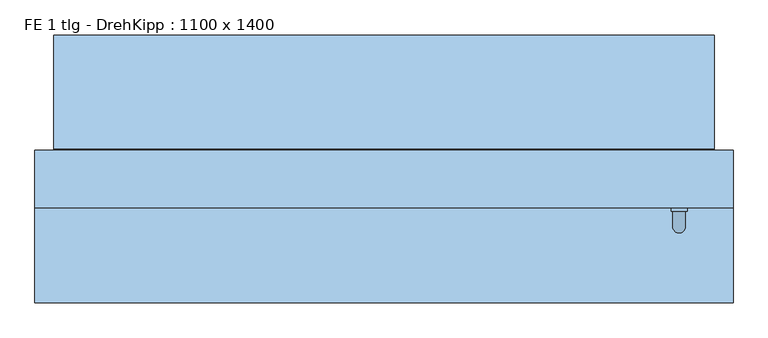
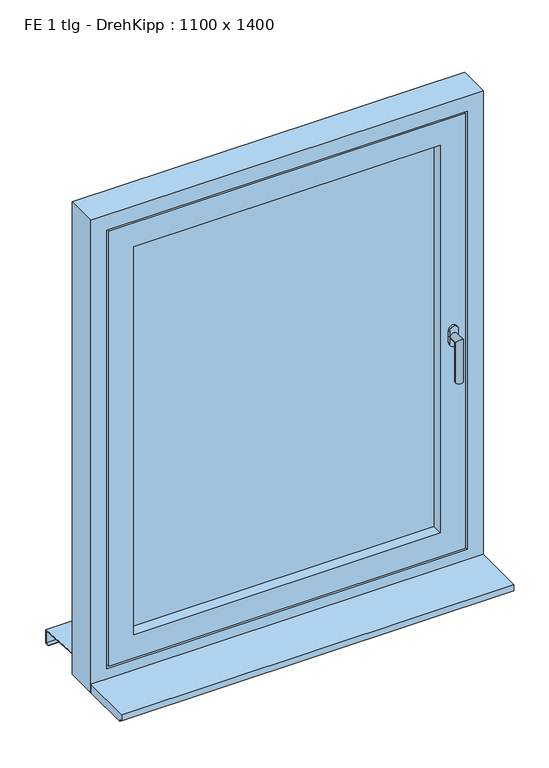
"""IFC4 building model written with IfcOpenShell, lengths in millimetres: window geometry, FE 1 tlg - DrehKipp : 1100 x 1400."""

import ifcopenshell
import ifcopenshell.guid

model = None  # the IFC model being written
_history = None  # IfcOwnerHistory: only IFC2X3 demands one
_inside = {}  # id of a spatial element -> (the spatial element, [elements in it])
_under = {}  # id of a project, library or spatial element -> (it, [spatial elements below it])
_declared = {}  # id of a project -> (the project, [libraries it declares])
_typed = {}  # id of a type object -> (the type object, [elements of that type])
_made_of = {}  # id of a material, layer set ... -> (it, [elements and type objects made of it])


def new_model(schema):
    """Start an empty IFC model of exactly this schema.

    Asked for "IFC4X3", IfcOpenShell would pick the latest addendum, in which some entities
    have other attributes; the version numbers below select the first issue.
    IFC2X3 requires an IfcOwnerHistory on every rooted entity: one is made here for all.
    """
    global model, _history
    if schema == "IFC4X3":
        model = ifcopenshell.file(schema_version=(4, 3, 0, 0))
    else:
        model = ifcopenshell.file(schema=schema)
    _inside.clear()
    _under.clear()
    _declared.clear()
    _typed.clear()
    _made_of.clear()
    _history = None
    if model.schema == "IFC2X3":
        org = make("IfcOrganization", Name="unknown")
        user = make(
            "IfcPersonAndOrganization",
            ThePerson=make("IfcPerson", FamilyName="unknown"),
            TheOrganization=org,
        )
        app = make(
            "IfcApplication",
            ApplicationDeveloper=org,
            Version="unknown",
            ApplicationFullName="unknown",
            ApplicationIdentifier="unknown",
        )
        _history = make(
            "IfcOwnerHistory",
            OwningUser=user,
            OwningApplication=app,
            ChangeAction="ADDED",
            CreationDate=0,
        )
    return model


def make(cls, **values):
    """One entity of the class cls with the attributes given. An attribute that is None is left unset."""
    return model.create_entity(
        cls, **{name: value for name, value in values.items() if value is not None}
    )


def rooted(cls, **values):
    """An entity with a GlobalId (a new one), such as an element, a storey or a relation."""
    return make(cls, GlobalId=ifcopenshell.guid.new(), OwnerHistory=_history, **values)


def si_unit(unit_type, name, prefix=None):
    """IfcSIUnit, for example si_unit("LENGTHUNIT", "METRE", prefix="MILLI")."""
    return make("IfcSIUnit", UnitType=unit_type, Prefix=prefix, Name=name)


def assignment(units):
    """IfcUnitAssignment: the units of a project."""
    return None if units is None else make("IfcUnitAssignment", Units=units)


def point(xyz):
    """IfcCartesianPoint."""
    return None if xyz is None else make("IfcCartesianPoint", Coordinates=xyz)


def direction(xyz):
    """IfcDirection."""
    return None if xyz is None else make("IfcDirection", DirectionRatios=xyz)


def frame(location, z_axis=None, x_axis=None):
    """IfcAxis2Placement3D, a coordinate frame: its origin and axes. An axis left out is left unset."""
    return make(
        "IfcAxis2Placement3D",
        Location=point(location),
        Axis=direction(z_axis),
        RefDirection=direction(x_axis),
    )


def origin():
    """The frame at (0, 0, 0) with its axes left unset."""
    return frame((0.0, 0.0, 0.0))


def place(relative_to, where):
    """IfcLocalPlacement: puts the frame where relative to a parent placement (None: the world)."""
    return make(
        "IfcLocalPlacement", PlacementRelTo=relative_to, RelativePlacement=where
    )


def context(
    kind, dimensions, precision=None, world=None, true_north=None, identifier=None
):
    """IfcGeometricRepresentationContext, for example the 3D "Model" context."""
    return make(
        "IfcGeometricRepresentationContext",
        ContextIdentifier=identifier,
        ContextType=kind,
        CoordinateSpaceDimension=dimensions,
        Precision=precision,
        WorldCoordinateSystem=world,
        TrueNorth=true_north,
    )


def project(units=None, contexts=None):
    """IfcProject with its units and contexts."""
    return rooted(
        "IfcProject",
        Name="project",
        RepresentationContexts=contexts,
        UnitsInContext=assignment(units),
    )


def spatial(cls, under=None, at=None, **own):
    """A site, building, storey or space (cls), placed at a placement, below another one or the project."""
    s = rooted(cls, ObjectPlacement=at, **own)
    if under is not None:
        _under.setdefault(under.id(), (under, []))[1].append(s)
    return s


def polyline(points):
    """IfcPolyline through the points."""
    return make("IfcPolyline", Points=[point(p) for p in points])


def circle_curve(where, radius):
    """IfcCircle in the frame where."""
    return make("IfcCircle", Position=where, Radius=radius)


def ellipse_curve(where, semi_axis1, semi_axis2):
    """IfcEllipse in the frame where."""
    return make(
        "IfcEllipse", Position=where, SemiAxis1=semi_axis1, SemiAxis2=semi_axis2
    )


def outline(outer, holes=None, kind="AREA"):
    """IfcArbitraryClosedProfileDef: a profile drawn as a closed curve; with holes, ...WithVoids."""
    if holes is None:
        return make("IfcArbitraryClosedProfileDef", ProfileType=kind, OuterCurve=outer)
    return make(
        "IfcArbitraryProfileDefWithVoids",
        ProfileType=kind,
        OuterCurve=outer,
        InnerCurves=holes,
    )


def extrude(swept, where, along, depth):
    """IfcExtrudedAreaSolid: the profile swept, set in the frame where, extruded along a direction by depth."""
    return make(
        "IfcExtrudedAreaSolid",
        SweptArea=swept,
        Position=where,
        ExtrudedDirection=direction(along),
        Depth=depth,
    )


def faces_of(points, faces, orient=None, outer=None):
    """IfcFace entities. A face is a list of loops; a loop is a list of indices into points, from 0.

    orient and outer hold one flag for each loop. By default every Orientation is true, the
    first loop of a face is its IfcFaceOuterBound and the others are IfcFaceBound.
    """
    made = []
    for i, loops in enumerate(faces):
        bounds = []
        for j, loop in enumerate(loops):
            is_outer = j == 0 if outer is None else outer[i][j]
            bounds.append(
                make(
                    "IfcFaceOuterBound" if is_outer else "IfcFaceBound",
                    Bound=make("IfcPolyLoop", Polygon=[points[k] for k in loop]),
                    Orientation=True if orient is None else orient[i][j],
                )
            )
        made.append(make("IfcFace", Bounds=bounds))
    return made


def faceted_brep(points, faces, orient=None, outer=None, voids=None):
    """IfcFacetedBrep: a solid bounded by flat faces; with voids (closed shells), ...WithVoids."""
    shared = [point(p) for p in points]
    hull = make("IfcClosedShell", CfsFaces=faces_of(shared, faces, orient, outer))
    if voids is None:
        return make("IfcFacetedBrep", Outer=hull)
    return make(
        "IfcFacetedBrepWithVoids",
        Outer=hull,
        Voids=[
            make(cls, CfsFaces=faces_of(shared, fs, o, b)) for cls, fs, o, b in voids
        ],
    )


def shape(context_of_items, identifier, shape_type, items):
    """IfcShapeRepresentation: the items that make up one representation, for example the "Body"."""
    return make(
        "IfcShapeRepresentation",
        ContextOfItems=context_of_items,
        RepresentationIdentifier=identifier,
        RepresentationType=shape_type,
        Items=items,
    )


def source(mapping_origin, context_of_items, identifier, shape_type, items):
    """IfcRepresentationMap: a shape defined once, which mapped items show again and again."""
    return make(
        "IfcRepresentationMap",
        MappingOrigin=mapping_origin,
        MappedRepresentation=shape(context_of_items, identifier, shape_type, items),
    )


def transform(
    local_origin,
    x_axis=None,
    y_axis=None,
    z_axis=None,
    scale=None,
    scale2=None,
    scale3=None,
    uniform=True,
):
    """IfcCartesianTransformationOperator3D, or its non-uniform kind. x_axis, y_axis, z_axis: its Axis1, 2, 3."""
    if uniform:
        return make(
            "IfcCartesianTransformationOperator3D",
            Axis1=direction(x_axis),
            Axis2=direction(y_axis),
            LocalOrigin=point(local_origin),
            Scale=scale,
            Axis3=direction(z_axis),
        )
    return make(
        "IfcCartesianTransformationOperator3DnonUniform",
        Axis1=direction(x_axis),
        Axis2=direction(y_axis),
        LocalOrigin=point(local_origin),
        Scale=scale,
        Axis3=direction(z_axis),
        Scale2=scale2,
        Scale3=scale3,
    )


def mapped(mapping_source, mapping_target):
    """IfcMappedItem: shows the shape of a source again, moved by a transform."""
    return make(
        "IfcMappedItem", MappingSource=mapping_source, MappingTarget=mapping_target
    )


def made_of(thing, what):
    """Note that an element or type object is made of a material, layer set ...; save() writes the relation."""
    if what is not None:
        _made_of.setdefault(what.id(), (what, []))[1].append(thing)
    return thing


def element(
    cls,
    number,
    at=None,
    inside=None,
    cuts=None,
    type_object=None,
    material=None,
    context=None,
    identifier="Body",
    shape_type=None,
    held_by="IfcProductDefinitionShape",
    body=None,
    shapes=None,
    **own,
):
    """One element of the class cls, such as IfcWall. Its Tag is "e" and its number.

    at: its placement. inside: the storey or other place that contains it. cuts: it is an
    opening in that element (IfcRelVoidsElement). A single representation is given by context,
    identifier, shape_type and body (its items); several are given by shapes. held_by: the class
    of the entity that holds the representations. save() writes the other relations.
    """
    e = rooted(cls, Tag="e%d" % number, ObjectPlacement=at, **own)
    if body is not None:
        shapes = [shape(context, identifier, shape_type, body)]
    if shapes is not None:
        e.Representation = make(held_by, Representations=shapes)
    if inside is not None:
        _inside.setdefault(inside.id(), (inside, []))[1].append(e)
    if cuts is not None:
        rooted(
            "IfcRelVoidsElement", RelatingBuildingElement=cuts, RelatedOpeningElement=e
        )
    if type_object is not None:
        _typed.setdefault(type_object.id(), (type_object, []))[1].append(e)
    return made_of(e, material)


def aggregate(whole, parts):
    """IfcRelAggregates: a whole, such as a stair, and the parts it consists of."""
    return rooted("IfcRelAggregates", RelatingObject=whole, RelatedObjects=parts)


def save(model, path):
    """Write the relations noted so far, then the file.

    IfcRelAggregates (storeys below a building ...), IfcRelContainedInSpatialStructure (elements
    in a storey), IfcRelDefinesByType, IfcRelAssociatesMaterial and IfcRelDeclares: one each for
    every whole, place, type object, material and project.
    """
    for whole, parts in _under.values():
        aggregate(whole, parts)
    for where, things in _inside.values():
        rooted(
            "IfcRelContainedInSpatialStructure",
            RelatedElements=things,
            RelatingStructure=where,
        )
    for kind, things in _typed.values():
        rooted("IfcRelDefinesByType", RelatedObjects=things, RelatingType=kind)
    for what, things in _made_of.values():
        rooted("IfcRelAssociatesMaterial", RelatedObjects=things, RelatingMaterial=what)
    for by, libraries in _declared.values():
        rooted("IfcRelDeclares", RelatingContext=by, RelatedDefinitions=libraries)
    model.write(path)


def plane_surface(at):
    """IfcPlane: the flat surface through the origin of the frame at, square to its z axis."""
    return make("IfcPlane", Position=at)


def cylinder_surface(at, radius):
    """IfcCylindricalSurface: all points at the distance radius from the z axis of the frame at."""
    return make("IfcCylindricalSurface", Position=at, Radius=radius)


def advanced_brep(points, edges, surfaces, faces):
    """IfcAdvancedBrep: a solid bounded by faces that lie on surfaces and meet in shared edges.

    An edge is (start, end): straight between two places in points (the first is 0);
    or (start, end, curve); or (start, end, curve, False) where it runs against its curve.
    A face is (place in surfaces, loops), or (place, loops, False) where it looks against
    its surface's normal. A loop lists edges by number (the first is 1), with a minus sign
    where the edge is run from its end to its start. The first loop is the outer one.
    """
    corners = [point(p) for p in points]
    vertices = [make("IfcVertexPoint", VertexGeometry=c) for c in corners]
    made = []
    for start, end, *more in edges:
        made.append(
            make(
                "IfcEdgeCurve",
                EdgeStart=vertices[start],
                EdgeEnd=vertices[end],
                EdgeGeometry=more[0] if more else make("IfcPolyline", Points=[corners[start], corners[end]]),
                SameSense=more[1] if len(more) > 1 else True,
            )
        )
    hull = []
    for where, loops, *sense in faces:
        bounds = []
        for j, loop in enumerate(loops):
            ring = [make("IfcOrientedEdge", EdgeElement=made[abs(k) - 1], Orientation=k > 0) for k in loop]
            bounds.append(
                make(
                    "IfcFaceOuterBound" if j == 0 else "IfcFaceBound",
                    Bound=make("IfcEdgeLoop", EdgeList=ring),
                    Orientation=True,
                )
            )
        hull.append(make("IfcAdvancedFace", Bounds=bounds, FaceSurface=surfaces[where], SameSense=sense[0] if sense else True))
    return make("IfcAdvancedBrep", Outer=make("IfcClosedShell", CfsFaces=hull))


def fe_1_tlg_drehkipp_1100_x_1400_05585270(model_context):
    return source(origin(), model_context, "Body", "SolidModel", [
        advanced_brep(
        [(452.5, -50.0, 1572.5), (477.5, -50.0, 1572.5), (477.5, -50.0, 1555.0), (477.5, -50.0, 1537.5), (452.5, -50.0, 1537.5), (452.5, -50.0, 1555.0), (475.0, -80.0, 1555.0), (475.0, -56.0, 1555.0), (455.0, -56.0, 1555.0), (455.0, -80.0, 1555.0), (475.0, -80.0, 1435.0), (455.0, -80.0, 1435.0), (452.5, -56.0, 1572.5), (452.5, -56.0, 1555.0), (452.5, -56.0, 1537.5), (477.5, -56.0, 1537.5), (477.5, -56.0, 1555.0), (477.5, -56.0, 1572.5)],
        [
            (0, 1, circle_curve(frame((465.0, -50.0, 1572.5), z_axis=(0.0, 1.0, 0.0), x_axis=(-1.0, 0.0, 0.0)), 12.5)),
            (1, 2),
            (2, 3),
            (3, 4, circle_curve(frame((465.0, -50.0, 1537.5), z_axis=(0.0, 1.0, 0.0), x_axis=(-1.0, 0.0, 0.0)), 12.5)),
            (4, 5),
            (5, 0),
            (6, 7),
            (7, 8, circle_curve(frame((465.0, -56.0, 1555.0), z_axis=(0.0, -1.0, 0.0), x_axis=(-1.0, 0.0, 0.0)), 10.0)),
            (8, 9),
            (9, 6, ellipse_curve(frame((465.0, -80.0, 1555.0), z_axis=(0.0, 0.7071067811865498, 0.7071067811865451), x_axis=(0.0, 0.7071067811865452, -0.7071067811865497)), 14.1421356, 10.0)),
            (8, 7, circle_curve(frame((465.0, -56.0, 1555.0), z_axis=(0.0, -1.0, 0.0), x_axis=(-1.0, 0.0, 0.0)), 10.0)),
            (6, 9, ellipse_curve(frame((465.0, -80.0, 1555.0), z_axis=(0.0, 0.7071067811865498, 0.7071067811865451), x_axis=(0.0, 0.7071067811865452, -0.7071067811865497)), 14.1421356, 10.0)),
            (10, 11, circle_curve(frame((465.0, -80.0, 1435.0), z_axis=(0.0, 0.0, -1.0), x_axis=(-1.0, 0.0, 0.0)), 10.0)),
            (11, 10, circle_curve(frame((465.0, -80.0, 1435.0), z_axis=(0.0, 0.0, -1.0), x_axis=(-1.0, 0.0, 0.0)), 10.0)),
            (9, 11),
            (10, 6),
            (12, 13),
            (13, 14),
            (14, 15, circle_curve(frame((465.0, -56.0, 1537.5), z_axis=(0.0, -1.0, 0.0), x_axis=(-1.0, 0.0, 0.0)), 12.5)),
            (15, 16),
            (16, 17),
            (17, 12, circle_curve(frame((465.0, -56.0, 1572.5), z_axis=(0.0, -1.0, 0.0), x_axis=(-1.0, 0.0, 0.0)), 12.5)),
            (17, 1),
            (0, 12),
            (16, 2),
            (15, 3),
            (14, 4),
            (13, 5),
        ],
        [
            plane_surface(frame((465.0, -50.0, 1555.0), z_axis=(0.0, 1.0, 0.0), x_axis=(-1.0, 0.0, 0.0))),
            cylinder_surface(frame((465.0, -50.0, 1555.0), z_axis=(0.0, 1.0, 0.0), x_axis=(-1.0, 0.0, 0.0)), 10.0),
            plane_surface(frame((465.0, -80.0, 1435.0), z_axis=(0.0, 0.0, -1.0), x_axis=(-1.0, 0.0, 0.0))),
            cylinder_surface(frame((465.0, -80.0, 1555.0), z_axis=(0.0, 0.0, 1.0), x_axis=(-1.0, 0.0, 0.0)), 10.0),
            plane_surface(frame((452.5, -56.0, 1572.5), z_axis=(0.0, -1.0, 0.0), x_axis=(0.0, 0.0, 1.0))),
            cylinder_surface(frame((465.0, -50.0, 1572.5), z_axis=(0.0, -1.0, 0.0), x_axis=(-1.0, 0.0, 0.0)), 12.5),
            plane_surface(frame((477.5, -56.0, 1572.5), z_axis=(1.0, 0.0, 0.0), x_axis=(0.0, 1.0, 0.0))),
            plane_surface(frame((477.5, -56.0, 1555.0), z_axis=(1.0, 0.0, 0.0), x_axis=(0.0, 1.0, 0.0))),
            cylinder_surface(frame((465.0, -50.0, 1537.5), z_axis=(0.0, -1.0, 0.0), x_axis=(-1.0, 0.0, 0.0)), 12.5),
            plane_surface(frame((452.5, -56.0, 1537.5), z_axis=(-1.0, 0.0, 0.0), x_axis=(0.0, 1.0, 0.0))),
            plane_surface(frame((452.5, -56.0, 1555.0), z_axis=(-1.0, 0.0, 0.0), x_axis=(0.0, 1.0, 0.0))),
        ],
        [
            (0, [[1, 2, 3, 4, 5, 6]]),
            (1, [[7, 8, 9, 10]]),
            (1, [[-9, 11, -7, 12]]),
            (2, [[13, 14]]),
            (3, [[15, -13, 16, -10]]),
            (3, [[-16, -14, -15, -12]]),
            (4, [[17, 18, 19, 20, 21, 22], [-11, -8]]),
            (5, [[23, -1, 24, -22]]),
            (6, [[25, -2, -23, -21]]),
            (7, [[26, -3, -25, -20]]),
            (8, [[27, -4, -26, -19]]),
            (9, [[28, -5, -27, -18]]),
            (10, [[-24, -6, -28, -17]]),
        ],
    ),
        faceted_brep([(-430.0, -50.0, 2130.0), (-430.0, -50.0, 980.0), (-430.0, 40.0, 980.0), (-430.0, 40.0, 2130.0), (-460.0, 40.0, 950.0), (-460.0, 40.0, 2160.0), (460.0, 40.0, 2160.0), (460.0, 40.0, 950.0), (430.0, 40.0, 980.0), (430.0, 40.0, 2130.0), (430.0, -50.0, 980.0), (-500.0, -50.0, 2200.0), (-500.0, -50.0, 910.0), (500.0, -50.0, 910.0), (500.0, -50.0, 2200.0), (430.0, -50.0, 2130.0), (-500.0, -35.0, 2200.0), (-500.0, -35.0, 910.0), (500.0, -35.0, 910.0), (500.0, -35.0, 2200.0), (-485.0, -35.0, 2185.0), (-485.0, -35.0, 925.0), (485.0, -35.0, 925.0), (485.0, -35.0, 2185.0), (-485.0, -5.0, 2185.0), (-485.0, -5.0, 925.0), (485.0, -5.0, 925.0), (485.0, -5.0, 2185.0), (-475.0, -5.0, 2175.0), (-475.0, -5.0, 935.0), (475.0, -5.0, 935.0), (475.0, -5.0, 2175.0), (-475.0, 25.0, 2175.0), (-475.0, 25.0, 935.0), (475.0, 25.0, 935.0), (475.0, 25.0, 2175.0), (-460.0, 25.0, 2160.0), (-460.0, 25.0, 950.0), (460.0, 25.0, 950.0), (460.0, 25.0, 2160.0)], [[[0, 1, 2, 3]], [[4, 5, 6, 7], [3, 2, 8, 9]], [[1, 10, 8, 2]], [[11, 12, 13, 14], [1, 0, 15, 10]], [[16, 17, 12, 11]], [[17, 18, 13, 12]], [[17, 16, 19, 18], [20, 21, 22, 23]], [[24, 25, 21, 20]], [[25, 26, 22, 21]], [[25, 24, 27, 26], [28, 29, 30, 31]], [[32, 33, 29, 28]], [[33, 34, 30, 29]], [[33, 32, 35, 34], [36, 37, 38, 39]], [[5, 4, 37, 36]], [[4, 7, 38, 37]], [[10, 15, 9, 8]], [[18, 19, 14, 13]], [[26, 27, 23, 22]], [[34, 35, 31, 30]], [[7, 6, 39, 38]], [[15, 0, 3, 9]], [[19, 16, 11, 14]], [[27, 24, 20, 23]], [[35, 32, 28, 31]], [[6, 5, 36, 39]]]),
        extrude(outline(polyline([(-430.0, 25.0), (430.0, 25.0), (430.0, -19.0), (-430.0, -19.0), (-430.0, 25.0)])), frame((0.0, 0.0, 980.0), z_axis=(0.0, 0.0, 1.0), x_axis=(1.0, 0.0, 0.0)), (0.0, 0.0, 1.0), 1150.0),
        faceted_brep([(-520.0, 222.0, 860.6252434), (-520.0, 200.0, 862.0002434), (-520.0, 42.0, 871.8752434), (520.0, 42.0, 871.8752434), (520.0, 200.0, 862.0002434), (520.0, 222.0, 860.6252434), (-520.0, 222.0, 820.6252434), (520.0, 222.0, 820.6252434), (-520.0, 210.0, 820.6252434), (520.0, 210.0, 820.6252434), (-520.0, 210.0, 822.6252434), (520.0, 210.0, 822.6252434), (-520.0, 220.0, 822.6252434), (520.0, 220.0, 822.6252434), (-520.0, 220.0, 858.75), (520.0, 220.0, 858.75), (-520.0, 200.0, 860.0), (520.0, 200.0, 860.0), (520.0, 40.0, 870.0), (-520.0, 40.0, 870.0), (-520.0, 40.0, 890.0), (520.0, 40.0, 890.0), (-520.0, 42.0, 890.0), (520.0, 42.0, 890.0)], [[[0, 1, 2, 3, 4, 5]], [[6, 0, 5, 7]], [[8, 6, 7, 9]], [[10, 8, 9, 11]], [[12, 10, 11, 13]], [[14, 12, 13, 15]], [[16, 14, 15, 17, 18, 19]], [[20, 19, 18, 21]], [[22, 20, 21, 23]], [[2, 22, 23, 3]], [[16, 1, 0, 6, 8, 10, 12, 14]], [[17, 4, 3, 23, 21, 18]], [[1, 16, 19, 20, 22, 2]], [[4, 17, 15, 13, 11, 9, 7, 5]]]),
        faceted_brep([(550.0, 40.0, 850.0), (550.0, -50.0, 850.0), (-550.0, -50.0, 850.0), (-550.0, 40.0, 850.0), (550.0, 40.0, 2250.0), (550.0, -50.0, 2250.0), (-550.0, -50.0, 2250.0), (505.0, -50.0, 2205.0), (505.0, -50.0, 905.0), (-505.0, -50.0, 905.0), (-505.0, -50.0, 2205.0), (-550.0, 40.0, 2250.0), (465.0, 40.0, 945.0), (465.0, 40.0, 2165.0), (-465.0, 40.0, 2165.0), (-465.0, 40.0, 945.0), (465.0, 25.0, 945.0), (465.0, 25.0, 2165.0), (-465.0, 25.0, 945.0), (-465.0, 25.0, 2165.0), (505.0, -35.0, 2205.0), (505.0, -35.0, 905.0), (-505.0, -35.0, 905.0), (-505.0, -35.0, 2205.0), (490.0, -35.0, 2190.0), (490.0, -35.0, 920.0), (-490.0, -35.0, 920.0), (-490.0, -35.0, 2190.0), (490.0, -5.0, 920.0), (490.0, -5.0, 2190.0), (-490.0, -5.0, 2190.0), (-490.0, -5.0, 920.0), (480.0, -5.0, 2180.0), (480.0, -5.0, 930.0), (-480.0, -5.0, 930.0), (-480.0, -5.0, 2180.0), (480.0, 25.0, 930.0), (480.0, 25.0, 2180.0), (-480.0, 25.0, 2180.0), (-480.0, 25.0, 930.0)], [[[0, 1, 2, 3]], [[4, 5, 1, 0]], [[5, 6, 2, 1], [7, 8, 9, 10]], [[6, 11, 3, 2]], [[11, 4, 0, 3], [12, 13, 14, 15]], [[12, 16, 17, 13]], [[18, 15, 14, 19]], [[16, 12, 15, 18]], [[20, 21, 8, 7]], [[8, 21, 22, 9]], [[9, 22, 23, 10]], [[21, 20, 23, 22], [24, 25, 26, 27]], [[28, 29, 30, 31], [32, 33, 34, 35]], [[29, 28, 25, 24]], [[25, 28, 31, 26]], [[36, 37, 38, 39], [17, 16, 18, 19]], [[37, 36, 33, 32]], [[33, 36, 39, 34]], [[26, 31, 30, 27]], [[34, 39, 38, 35]], [[4, 11, 6, 5]], [[20, 7, 10, 23]], [[29, 24, 27, 30]], [[37, 32, 35, 38]], [[13, 17, 19, 14]]]),
        extrude(outline(polyline([(-200.0, 875.0), (-50.0, 875.0), (-50.0, 850.0), (-190.0, 850.0), (-190.0, 857.0), (-200.0, 857.0), (-200.0, 875.0)])), frame((-550.0, 0.0, 0.0), z_axis=(1.0, 0.0, 0.0), x_axis=(0.0, 1.0, 0.0)), (0.0, 0.0, 1.0), 1100.0),
    ])


if __name__ == "__main__":
    model = new_model("IFC4")
    model_context = context("Model", 3, world=origin())
    ifc_project = project(units=[si_unit("LENGTHUNIT", "METRE", prefix="MILLI")], contexts=[model_context])
    site = spatial("IfcSite", under=ifc_project)
    building = spatial("IfcBuilding", under=site)
    placement = place(None, origin())
    fe_1_tlg_drehkipp_1100_x_1400_shape = fe_1_tlg_drehkipp_1100_x_1400_05585270(model_context)
    element("IfcWindow", 1, ObjectType="FE 1 tlg - DrehKipp : 1100 x 1400", at=placement, inside=building, context=model_context, shape_type="MappedRepresentation", body=[
        mapped(fe_1_tlg_drehkipp_1100_x_1400_shape, transform((0.0, 0.0, 0.0), x_axis=(1.0, 0.0, 0.0), y_axis=(0.0, 1.0, 0.0), z_axis=(0.0, 0.0, 1.0))),
    ])
    save(model, "model.ifc")
